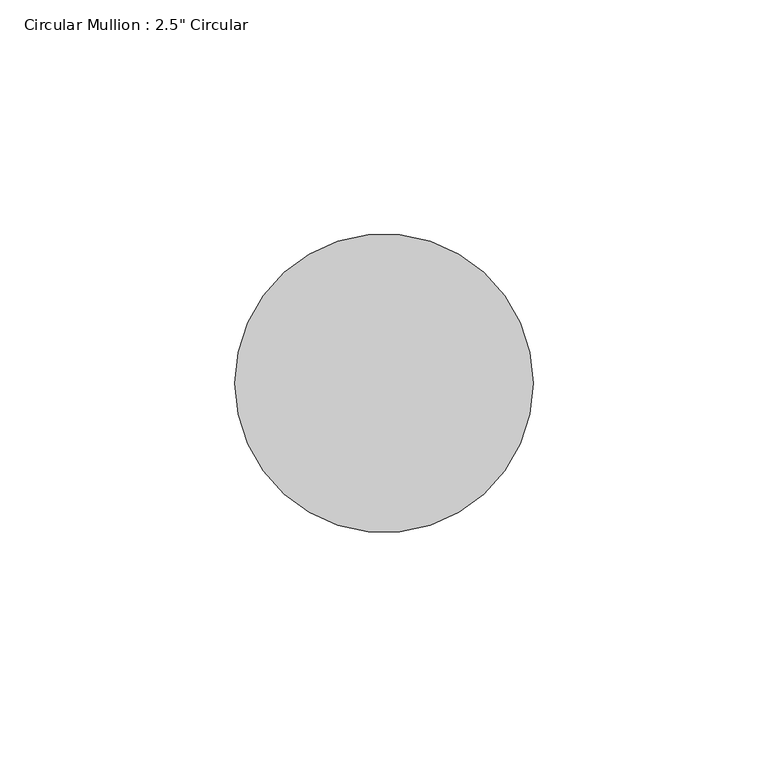
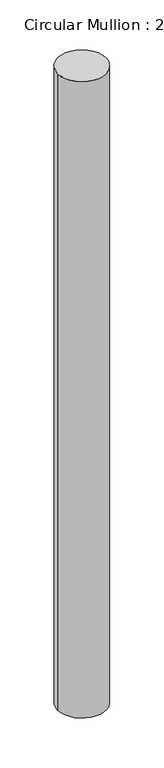
"""IFC4 building model written with IfcOpenShell, lengths in millimetres: member geometry."""

from ifc_helpers import new_model, si_unit, point, frame, origin, origin_2d, place, context, project, spatial, circle_curve, trimmed, segment, composite_curve, outline, extrude, source, transform, mapped, element, save


def member_a1902ed9(model_context):
    return source(origin(), model_context, "Body", "SweptSolid", [
        extrude(outline(composite_curve([segment(trimmed(circle_curve(origin_2d(), 31.75), [point((31.75, 0.0))], [point((-31.75, 0.0))], False, "CARTESIAN"), True, "CONTINUOUS"), segment(trimmed(circle_curve(origin_2d(), 31.75), [point((-31.75, 0.0))], [point((31.75, 0.0))], False, "CARTESIAN"), True, "CONTINUOUS")], self_intersect=False)), frame((0.0, 0.0, -882.65), z_axis=(0.0, 0.0, 1.0), x_axis=(1.0, 0.0, 0.0)), (0.0, 0.0, 1.0), 882.65),
    ])


if __name__ == "__main__":
    model = new_model("IFC4")
    model_context = context("Model", 3, world=origin())
    ifc_project = project(units=[si_unit("LENGTHUNIT", "METRE", prefix="MILLI")], contexts=[model_context])
    site = spatial("IfcSite", under=ifc_project)
    building = spatial("IfcBuilding", under=site)
    placement = place(None, origin())
    member_shape = member_a1902ed9(model_context)
    element("IfcMember", 1, ObjectType="Circular Mullion : 2.5\" Circular", at=placement, inside=building, context=model_context, shape_type="MappedRepresentation", body=[
        mapped(member_shape, transform((0.0, 0.0, 0.0), x_axis=(1.0, 0.0, 0.0), y_axis=(0.0, 1.0, 0.0), z_axis=(0.0, 0.0, 1.0))),
    ])
    save(model, "model.ifc")
